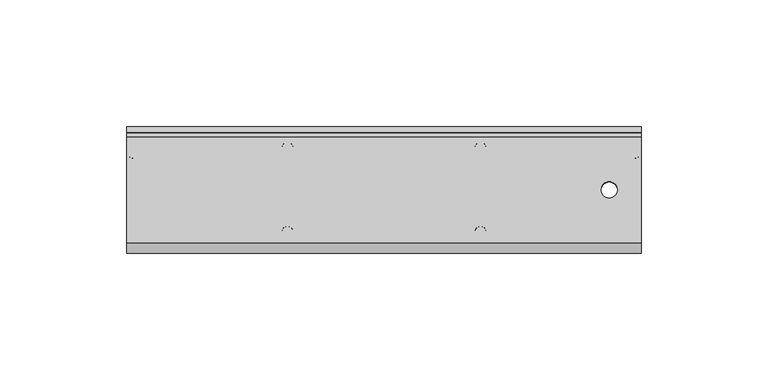
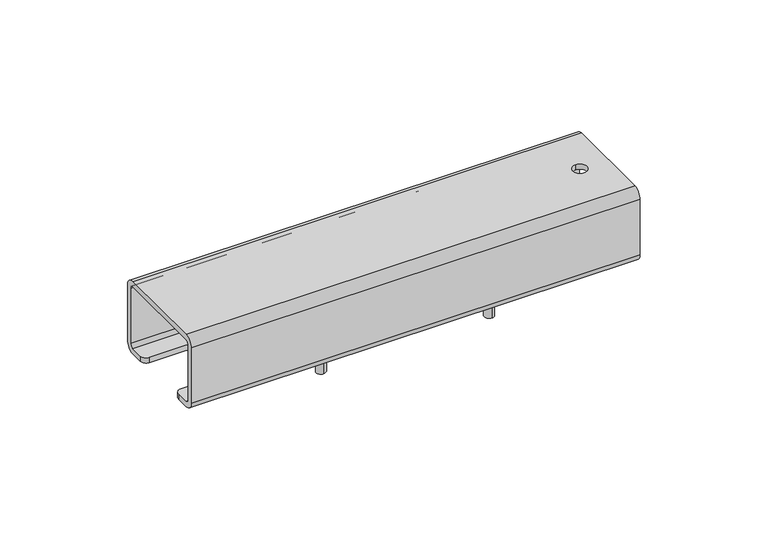
"""IFC4 building model written with IfcOpenShell, lengths in millimetres: proxy geometry."""

from ifc_helpers import new_model, si_unit, point, frame, origin, place, context, project, spatial, polyline, circle_curve, ellipse_curve, trimmed, source, transform, mapped, element, save
from ifc_brep_helpers import plane_surface, cylinder_surface, revolved_surface, extruded_surface, advanced_brep


def generic_models_425eaa7c(model_context):
    return source(origin(), model_context, "Body", "AdvancedBrep", [
        advanced_brep(
        [(38.1, 18.642637, -13.2216488), (38.1, 14.350054, -13.2216488), (38.1, 18.642637, -24.6516488), (38.1, 14.350054, -24.6516488)],
        [
            (0, 1, ellipse_curve(frame((38.1, 16.4963455, -13.2216488), z_axis=(0.0, 0.0, 1.0), x_axis=(1.0, 0.0, 0.0)), 2.1463, 2.1462915)),
            (1, 0, ellipse_curve(frame((38.1, 16.4963455, -13.2216488), z_axis=(0.0, 0.0, 1.0), x_axis=(1.0, 0.0, 0.0)), 2.1463, 2.1462915)),
            (2, 3, ellipse_curve(frame((38.1, 16.4963455, -24.6516488), z_axis=(0.0, 0.0, -1.0), x_axis=(0.0, -1.0, 0.0)), 2.1462915, 2.1463)),
            (3, 2, ellipse_curve(frame((38.1, 16.4963455, -24.6516488), z_axis=(0.0, 0.0, -1.0), x_axis=(0.0, -1.0, 0.0)), 2.1462915, 2.1463)),
            (0, 2),
            (3, 1),
        ],
        [
            plane_surface(frame((38.1, 14.350054, -13.2216488), z_axis=(0.0, 0.0, 1.0), x_axis=(1.0, 0.0, 0.0))),
            plane_surface(frame((38.1, 14.350054, -24.6516488), z_axis=(0.0, 0.0, -1.0), x_axis=(-1.0, 0.0, 0.0))),
            extruded_surface(trimmed(ellipse_curve(frame((38.1, 16.4963455, -36.0816488), z_axis=(0.0, 0.0, 1.0), x_axis=(0.0, -1.0, 0.0)), 2.1462915, 2.1463), [point((38.1, 18.642637, -36.0816488))], [point((38.1, 14.350054, -36.0816488))], True, "CARTESIAN"), (0.0, 0.0, 11.430000000000003), 11.430000000000003),
            extruded_surface(trimmed(ellipse_curve(frame((38.1, 16.4963455, -36.0816488), z_axis=(0.0, 0.0, 1.0), x_axis=(0.0, -1.0, 0.0)), 2.1462915, 2.1463), [point((38.1, 14.350054, -36.0816488))], [point((38.1, 18.642637, -36.0816488))], True, "CARTESIAN"), (0.0, 0.0, 11.430000000000003), 11.430000000000003),
        ],
        [
            (0, [[1, 2]]),
            (1, [[3, 4]]),
            (2, [[-1, 5, -4, 6]]),
            (3, [[-2, -6, -3, -5]]),
        ],
    ),
        advanced_brep(
        [(38.1326829, -14.5298809, -13.2216488), (38.1326829, -18.8219662, -13.2216488), (38.1326829, -14.5298809, -24.6516488), (38.1326829, -18.8219662, -24.6516488)],
        [
            (0, 1, ellipse_curve(frame((38.1, -16.6759235, -13.2216488), z_axis=(0.0, 0.0, 1.0), x_axis=(-1.0, 0.0, 0.0)), 2.1463, 2.1462915)),
            (1, 0, ellipse_curve(frame((38.1643853, -16.6759235, -13.2216488), z_axis=(0.0, 0.0, 1.0), x_axis=(0.0, 1.0, 0.0)), 2.1462915, 2.0819147)),
            (2, 3, ellipse_curve(frame((38.1643853, -16.6759235, -24.6516488), z_axis=(0.0, 0.0, -1.0), x_axis=(0.0, 1.0, 0.0)), 2.1462915, 2.0819147)),
            (3, 2, ellipse_curve(frame((38.1, -16.6759235, -24.6516488), z_axis=(0.0, 0.0, -1.0), x_axis=(0.0, 1.0, 0.0)), 2.1462915, 2.1463)),
            (0, 2),
            (3, 1),
        ],
        [
            plane_surface(frame((38.1, -14.529632, -13.2216488), z_axis=(0.0, 0.0, 1.0), x_axis=(-1.0, 0.0, 0.0))),
            plane_surface(frame((38.1, -14.529632, -24.6516488), z_axis=(0.0, 0.0, -1.0), x_axis=(1.0, 0.0, 0.0))),
            extruded_surface(trimmed(ellipse_curve(frame((38.1, -16.6759235, -36.0816488), z_axis=(0.0, 0.0, 1.0), x_axis=(0.0, 1.0, 0.0)), 2.1462915, 2.1463), [point((38.1326829, -14.5298809, -36.0816488))], [point((38.1326829, -18.8219662, -36.0816488))], True, "CARTESIAN"), (0.0, 0.0, 11.430000000000003), 11.430000000000003),
            extruded_surface(trimmed(ellipse_curve(frame((38.1643853, -16.6759235, -36.0816488), z_axis=(0.0, 0.0, 1.0), x_axis=(0.0, 1.0, 0.0)), 2.1462915, 2.0819147), [point((38.1326829, -18.8219662, -36.0816488))], [point((38.1326829, -14.5298809, -36.0816488))], True, "CARTESIAN"), (0.0, 0.0, 11.430000000000003), 11.430000000000003),
        ],
        [
            (0, [[1, 2]]),
            (1, [[3, 4]]),
            (2, [[-1, 5, -4, 6]]),
            (3, [[-2, -6, -3, -5]]),
        ],
    ),
        advanced_brep(
        [(-38.1, -14.529632, -14.2944905), (-38.1, -14.5366267, -16.7836806), (-38.1, -18.8292098, -16.7716184), (-38.1, -18.8222151, -14.2824282), (38.1, -14.5366267, -16.7836806), (38.1, -14.529632, -14.2944905), (38.1, -18.8222151, -14.2824282), (38.1, -18.8292098, -16.7716184), (-38.1, 14.3430593, -16.8648334), (-38.1, 14.350054, -14.3756432), (-38.1, 18.642637, -14.3877055), (-38.1, 18.6356423, -16.8768956), (38.1, 14.350054, -14.3756432), (38.1, 14.3430593, -16.8648334), (38.1, 18.6356423, -16.8768956), (38.1, 18.642637, -14.3877055), (88.9, 3.1749875, 17.6090852), (88.9, 3.1679928, 15.119895), (88.9, -3.1819822, 15.1377386), (88.9, -3.1749875, 17.6269288), (99.06, 12.3491671, -16.8592305), (101.6, 14.8891571, -16.8663679), (101.6, 14.8961518, -14.3771777), (99.06, 12.3561618, -14.3700403), (101.6, 20.8651282, -14.3939507), (-101.6, 20.8651282, -14.3939507), (-101.6, 14.8961518, -14.3771777), (-99.06, 12.3561618, -14.3700403), (101.6, 20.8581335, -16.8831409), (101.6, 24.8825949, -12.8812339), (101.6, 24.9568243, 13.5346618), (101.6, 20.9549173, 17.5591231), (101.6, -20.9549173, 17.6768909), (101.6, -24.9793786, 13.6749839), (101.6, -25.053608, -12.7409118), (101.6, -21.051701, -16.7653731), (101.6, -15.0827246, -16.7821461), (101.6, -15.0757299, -14.2929559), (101.6, -21.0447063, -14.2761829), (101.6, -22.5644178, -12.7479065), (101.6, -22.4901884, 13.6679892), (101.6, -20.961912, 15.1877007), (101.6, 20.9479226, 15.0699329), (101.6, 22.4676341, 13.5416565), (101.6, 22.3934047, -12.8742392), (99.06, -12.5427346, -16.7892835), (99.06, -12.5357399, -14.3000934), (-99.06, -12.5357399, -14.3000934), (-101.6, -15.0757299, -14.2929559), (-101.6, -21.0447063, -14.2761829), (-99.06, -12.5427346, -16.7892835), (-101.6, -15.0827246, -16.7821461), (-101.6, -21.051701, -16.7653731), (-101.6, -25.053608, -12.7409118), (-101.6, -24.9793786, 13.6749839), (-101.6, -20.9549173, 17.6768909), (-101.6, 20.9549173, 17.5591231), (-101.6, 24.9568243, 13.5346618), (-101.6, 24.8825949, -12.8812339), (-101.6, 20.8581335, -16.8831409), (-101.6, 14.8891571, -16.8663679), (-101.6, 22.3934047, -12.8742392), (-101.6, 22.4676341, 13.5416565), (-101.6, 20.9479226, 15.0699329), (-101.6, -20.961912, 15.1877007), (-101.6, -22.4901884, 13.6679892), (-101.6, -22.5644178, -12.7479065), (-99.06, 12.3491671, -16.8592305), (-0.254, 19.2072114, -16.8531017), (0.254, 19.2072114, -16.8531017), (0.254, 12.8572365, -16.8352581), (-0.254, 12.8572365, -16.8352581), (0.254, -19.4006361, -16.7446125), (-0.254, -19.4006361, -16.7446125), (-0.254, -13.0506612, -16.7624562), (0.254, -13.0506612, -16.7624562)],
        [
            (0, 1),
            (1, 2, circle_curve(frame((-38.1, -16.6829182, -16.7776495), z_axis=(0.0, -0.0028100166849961976, -0.9999960518953214), x_axis=(0.0, 0.9999960518953214, -0.0028100166849961976)), 2.1463)),
            (2, 3),
            (3, 0, circle_curve(frame((-38.1, -16.6759235, -14.2884593), z_axis=(0.0, 0.0028100166849961976, 0.9999960518953214), x_axis=(0.0, 0.9999960518953214, -0.0028100166849961976)), 2.1463)),
            (4, 5),
            (5, 6, circle_curve(frame((38.1, -16.6759235, -14.2884593), z_axis=(0.0, 0.0028100166849961976, 0.9999960518953214), x_axis=(0.0, 0.9999960518953214, -0.0028100166849961976)), 2.1463)),
            (6, 7),
            (7, 4, circle_curve(frame((38.1, -16.6829182, -16.7776495), z_axis=(0.0, -0.0028100166849961976, -0.9999960518953214), x_axis=(0.0, 0.9999960518953214, -0.0028100166849961976)), 2.1463)),
            (8, 9),
            (9, 10, circle_curve(frame((-38.1, 16.4963455, -14.3816743), z_axis=(0.0, 0.0028100166849961976, 0.9999960518953214), x_axis=(0.0, -0.9999960518953214, 0.0028100166849961976)), 2.1463)),
            (10, 11),
            (11, 8, circle_curve(frame((-38.1, 16.4893508, -16.8708645), z_axis=(0.0, -0.0028100166849961976, -0.9999960518953214), x_axis=(0.0, -0.9999960518953214, 0.0028100166849961976)), 2.1463)),
            (12, 13),
            (13, 14, circle_curve(frame((38.1, 16.4893508, -16.8708645), z_axis=(0.0, -0.0028100166849961976, -0.9999960518953214), x_axis=(0.0, -0.9999960518953214, 0.0028100166849961976)), 2.1463)),
            (14, 15),
            (15, 12, circle_curve(frame((38.1, 16.4963455, -14.3816743), z_axis=(0.0, 0.0028100166849961976, 0.9999960518953214), x_axis=(0.0, -0.9999960518953214, 0.0028100166849961976)), 2.1463)),
            (16, 17),
            (17, 18, circle_curve(frame((88.9, -0.0069947, 15.1288168), z_axis=(0.0, -0.0028100166849961976, -0.9999960518953214), x_axis=(0.0, 0.9999960518953214, -0.0028100166849961976)), 3.175)),
            (18, 19),
            (19, 16, circle_curve(frame((88.9, 0.0, 17.618007), z_axis=(0.0, 0.0028100166849961976, 0.9999960518953214), x_axis=(0.0, 0.9999960518953214, -0.0028100166849961976)), 3.175)),
            (20, 21, circle_curve(frame((99.06, 14.8891571, -16.8663679), z_axis=(0.0, 0.0028100166849961976, 0.9999960518953214), x_axis=(0.7071067811865668, -0.7071039894549372, 0.0019869818532081)), 2.54)),
            (21, 22),
            (22, 23, circle_curve(frame((99.06, 14.8961518, -14.3771777), z_axis=(0.0, -0.0028100166849961976, -0.9999960518953214), x_axis=(0.7071067811865668, -0.7071039894549372, 0.0019869818532081)), 2.54)),
            (23, 20),
            (22, 24),
            (24, 25),
            (25, 26),
            (26, 27, circle_curve(frame((-99.06, 14.8961518, -14.3771777), z_axis=(0.0, 0.0028100166849961976, 0.9999960518953214), x_axis=(-0.7071067811865315, -0.7071039894549725, 0.0019869818532081995)), 2.54)),
            (27, 23),
            (9, 10, circle_curve(frame((-38.1, 16.4963455, -14.3816743), z_axis=(0.0, -0.0028100166849961976, -0.9999960518953214), x_axis=(0.0, -0.9999960518953214, 0.0028100166849961976)), 2.1463)),
            (15, 12, circle_curve(frame((38.1, 16.4963455, -14.3816743), z_axis=(0.0, -0.0028100166849961976, -0.9999960518953214), x_axis=(0.0, -0.9999960518953214, 0.0028100166849961976)), 2.1463)),
            (21, 28),
            (28, 29, circle_curve(frame((101.6, 20.8694107, -12.8699568), z_axis=(1.0, 0.0, 0.0), x_axis=(0.0, 0.9999960518953214, -0.0028100166849961976)), 4.0132)),
            (29, 30),
            (30, 31, circle_curve(frame((101.6, 20.9436401, 13.545939), z_axis=(1.0, 0.0, 0.0), x_axis=(0.0, 0.0028100166849961976, 0.9999960518953214)), 4.0132)),
            (31, 32),
            (32, 33, circle_curve(frame((101.6, -20.9661944, 13.6637068), z_axis=(1.0, 0.0, 0.0), x_axis=(0.0, -0.9999960518953214, 0.0028100166849961976)), 4.0132)),
            (33, 34),
            (34, 35, circle_curve(frame((101.6, -21.0404238, -12.752189), z_axis=(1.0, 0.0, 0.0), x_axis=(0.0, -0.0028100166849961976, -0.9999960518953214)), 4.0132)),
            (35, 36),
            (36, 37),
            (37, 38),
            (38, 39, circle_curve(frame((101.6, -21.0404238, -12.752189), z_axis=(-1.0, 0.0, 0.0), x_axis=(0.0, 0.0028100166849961976, 0.9999960518953214)), 1.524)),
            (39, 40),
            (40, 41, circle_curve(frame((101.6, -20.9661944, 13.6637068), z_axis=(-1.0, 0.0, 0.0), x_axis=(0.0, 0.9999960518953214, -0.0028100166849961976)), 1.524)),
            (41, 42),
            (42, 43, circle_curve(frame((101.6, 20.9436401, 13.545939), z_axis=(-1.0, 0.0, 0.0), x_axis=(0.0, -0.0028100166849961976, -0.9999960518953214)), 1.524)),
            (43, 44),
            (44, 24, circle_curve(frame((101.6, 20.8694107, -12.8699568), z_axis=(-1.0, 0.0, 0.0), x_axis=(0.0, -0.9999960518953214, 0.0028100166849961976)), 1.524)),
            (36, 45, circle_curve(frame((99.06, -15.0827246, -16.7821461), z_axis=(0.0, 0.0028100166849961976, 0.9999960518953214), x_axis=(0.7071067811865315, 0.7071039894549725, -0.0019869818532081995)), 2.54)),
            (45, 46),
            (46, 37, circle_curve(frame((99.06, -15.0757299, -14.2929559), z_axis=(0.0, -0.0028100166849961976, -0.9999960518953214), x_axis=(0.7071067811865315, 0.7071039894549725, -0.0019869818532081995)), 2.54)),
            (46, 47),
            (47, 48, circle_curve(frame((-99.06, -15.0757299, -14.2929559), z_axis=(0.0, 0.0028100166849961976, 0.9999960518953214), x_axis=(-0.7071067811865668, 0.7071039894549372, -0.0019869818532081)), 2.54)),
            (48, 49),
            (49, 38),
            (5, 6, circle_curve(frame((38.1, -16.6759235, -14.2884593), z_axis=(0.0, -0.0028100166849961976, -0.9999960518953214), x_axis=(0.0, 0.9999960518953214, -0.0028100166849961976)), 2.1463)),
            (3, 0, circle_curve(frame((-38.1, -16.6759235, -14.2884593), z_axis=(0.0, -0.0028100166849961976, -0.9999960518953214), x_axis=(0.0, 0.9999960518953214, -0.0028100166849961976)), 2.1463)),
            (50, 51, circle_curve(frame((-99.06, -15.0827246, -16.7821461), z_axis=(0.0, 0.0028100166849961976, 0.9999960518953214), x_axis=(-0.7071067811865668, 0.7071039894549372, -0.0019869818532081)), 2.54)),
            (51, 48),
            (47, 50),
            (51, 52),
            (52, 53, circle_curve(frame((-101.6, -21.0404238, -12.752189), z_axis=(-1.0, 0.0, 0.0), x_axis=(0.0, -0.0028100166849961976, -0.9999960518953214)), 4.0132)),
            (53, 54),
            (54, 55, circle_curve(frame((-101.6, -20.9661944, 13.6637068), z_axis=(-1.0, 0.0, 0.0), x_axis=(0.0, -0.9999960518953214, 0.0028100166849961976)), 4.0132)),
            (55, 56),
            (56, 57, circle_curve(frame((-101.6, 20.9436401, 13.545939), z_axis=(-1.0, 0.0, 0.0), x_axis=(0.0, 0.0028100166849961976, 0.9999960518953214)), 4.0132)),
            (57, 58),
            (58, 59, circle_curve(frame((-101.6, 20.8694107, -12.8699568), z_axis=(-1.0, 0.0, 0.0), x_axis=(0.0, 0.9999960518953214, -0.0028100166849961976)), 4.0132)),
            (59, 60),
            (60, 26),
            (25, 61, circle_curve(frame((-101.6, 20.8694107, -12.8699568), z_axis=(1.0, 0.0, 0.0), x_axis=(0.0, -0.9999960518953214, 0.0028100166849961976)), 1.524)),
            (61, 62),
            (62, 63, circle_curve(frame((-101.6, 20.9436401, 13.545939), z_axis=(1.0, 0.0, 0.0), x_axis=(0.0, -0.0028100166849961976, -0.9999960518953214)), 1.524)),
            (63, 64),
            (64, 65, circle_curve(frame((-101.6, -20.9661944, 13.6637068), z_axis=(1.0, 0.0, 0.0), x_axis=(0.0, 0.9999960518953214, -0.0028100166849961976)), 1.524)),
            (65, 66),
            (66, 49, circle_curve(frame((-101.6, -21.0404238, -12.752189), z_axis=(1.0, 0.0, 0.0), x_axis=(0.0, 0.0028100166849961976, 0.9999960518953214)), 1.524)),
            (60, 67, circle_curve(frame((-99.06, 14.8891571, -16.8663679), z_axis=(0.0, 0.0028100166849961976, 0.9999960518953214), x_axis=(-0.7071067811865315, -0.7071039894549725, 0.0019869818532081995)), 2.54)),
            (67, 27),
            (68, 69),
            (69, 70),
            (70, 71),
            (71, 68),
            (72, 73),
            (73, 74),
            (74, 75),
            (75, 72),
            (16, 19, circle_curve(frame((88.9, 0.0, 17.618007), z_axis=(0.0, 0.0028100166849961976, 0.9999960518953214), x_axis=(0.0, 0.9999960518953214, -0.0028100166849961976)), 3.175)),
            (18, 17, circle_curve(frame((88.9, -0.0069947, 15.1288168), z_axis=(0.0, -0.0028100166849961976, -0.9999960518953214), x_axis=(0.0, 0.9999960518953214, -0.0028100166849961976)), 3.175)),
            (14, 13, circle_curve(frame((38.1, 16.4893508, -16.8708645), z_axis=(0.0, -0.0028100166849961976, -0.9999960518953214), x_axis=(0.0, -0.9999960518953214, 0.0028100166849961976)), 2.1463)),
            (8, 11, circle_curve(frame((-38.1, 16.4893508, -16.8708645), z_axis=(0.0, -0.0028100166849961976, -0.9999960518953214), x_axis=(0.0, -0.9999960518953214, 0.0028100166849961976)), 2.1463)),
            (4, 7, circle_curve(frame((38.1, -16.6829182, -16.7776495), z_axis=(0.0, -0.0028100166849961976, -0.9999960518953214), x_axis=(0.0, 0.9999960518953214, -0.0028100166849961976)), 2.1463)),
            (2, 1, circle_curve(frame((-38.1, -16.6829182, -16.7776495), z_axis=(0.0, -0.0028100166849961976, -0.9999960518953214), x_axis=(0.0, 0.9999960518953214, -0.0028100166849961976)), 2.1463)),
            (40, 65),
            (64, 41),
            (63, 42),
            (62, 43),
            (61, 44),
            (67, 20),
            (59, 28),
            (58, 29),
            (57, 30),
            (56, 31),
            (55, 32),
            (54, 33),
            (53, 34),
            (52, 35),
            (50, 45),
            (66, 39),
        ],
        [
            revolved_surface(polyline([(-38.1, -14.529631995725428, -14.294490438749392), (-38.1, -14.536626689445033, -16.78368067778547)]), (-38.1, -17.2286389, -210.9823789), (0.0, 0.0028100166849961976, 0.9999960518953214)),
            revolved_surface(polyline([(38.1, -14.536626689445033, -16.78368067778547), (38.1, -14.529631995725428, -14.294490438749392)]), (38.1, -17.2286389, -210.9823789), (0.0, -0.0028100166849961976, -0.9999960518953214)),
            revolved_surface(polyline([(-38.1, 14.343059258189902, -16.864833399882485), (-38.1, 14.350053951908716, -14.375643161127357)]), (-38.1, 15.9436301, -211.0755939), (0.0, -0.0028100166849961976, -0.9999960518953214)),
            revolved_surface(polyline([(38.1, 14.350053951908716, -14.375643161127357), (38.1, 14.343059258189902, -16.864833399882485)]), (38.1, 15.9436301, -211.0755939), (0.0, 0.0028100166849961976, 0.9999960518953214)),
            revolved_surface(polyline([(88.9, 3.1749874634721675, 17.60908520010265), (88.9, 3.1679927698449304, 15.119894993937006)]), (88.9, -0.0466075, 1.0318725), (0.0, 0.0028100166849961976, 0.9999960518953214)),
            cylinder_surface(frame((99.06, 14.913353, -8.2558019), z_axis=(0.0, -0.0028100166849961976, -0.9999960518953214), x_axis=(0.7071067811865668, -0.7071039894549372, 0.0019869818532081)), 2.54),
            plane_surface(frame((0.0, 12.3561618, -14.3700403), z_axis=(0.0, 0.0028100166849961976, 0.9999960518953213), x_axis=(0.0, 0.9999960518953213, -0.0028100166849961976))),
            plane_surface(frame((101.6, -0.0483919, 0.396875), z_axis=(1.0, 0.0, 0.0), x_axis=(0.0, 0.0028100166849961976, 0.9999960518953213))),
            cylinder_surface(frame((99.06, -15.0550313, -6.926985), z_axis=(0.0, 0.0028100166849961976, 0.9999960518953214), x_axis=(0.7071067811865315, 0.7071039894549725, -0.0019869818532081995)), 2.54),
            plane_surface(frame((0.0, -21.0447063, -14.2761829), z_axis=(0.0, 0.0028100166849961976, 0.9999960518953213), x_axis=(0.0, 0.9999960518953213, -0.0028100166849961976))),
            cylinder_surface(frame((-99.06, -15.0550313, -6.926985), z_axis=(0.0, -0.0028100166849961976, -0.9999960518953214), x_axis=(-0.7071067811865668, 0.7071039894549372, -0.0019869818532081)), 2.54),
            plane_surface(frame((-101.6, -0.0483919, 0.396875), z_axis=(-1.0, 0.0, 0.0), x_axis=(0.0, 0.0028100166849961976, 0.9999960518953213))),
            cylinder_surface(frame((-99.06, 14.913353, -8.2558019), z_axis=(0.0, 0.0028100166849961976, 0.9999960518953214), x_axis=(-0.7071067811865315, -0.7071039894549725, 0.0019869818532081995)), 2.54),
            plane_surface(frame((0.0, 16.032224, -16.8441799), z_axis=(0.0, -0.0028100166849961976, -0.9999960518953213), x_axis=(0.0, -0.9999960518953213, 0.0028100166849961976))),
            plane_surface(frame((0.0, -16.2256487, -16.7535344), z_axis=(0.0, -0.0028100166849961976, -0.9999960518953213), x_axis=(0.0, 0.9999960518953213, -0.0028100166849961976))),
            revolved_surface(polyline([(-101.60000000000005, -19.44220041691153, 13.659424334572066), (101.60000000000005, -19.44220041691153, 13.659424334572066)]), (0.0, -20.9661944, 13.6637068), (-1.0000000000000002, 0.0, 0.0)),
            plane_surface(frame((0.0, 20.9479226, 15.0699329), z_axis=(0.0, -0.0028100166849961976, -0.9999960518953213), x_axis=(0.0, -0.9999960518953213, 0.0028100166849961976))),
            revolved_surface(polyline([(-101.60000000000005, 20.939357634572065, 12.02194501691153), (101.60000000000005, 20.939357634572065, 12.02194501691153)]), (0.0, 20.9436401, 13.545939), (-1.0000000000000002, 0.0, 0.0)),
            plane_surface(frame((0.0, 22.3934047, -12.8742392), z_axis=(0.0, -0.9999960518953213, 0.0028100166849961976), x_axis=(0.0, 0.0028100166849961976, 0.9999960518953213))),
            revolved_surface(polyline([(-101.60000000000005, 19.34541671691153, -12.865674334572066), (101.60000000000005, 19.34541671691153, -12.865674334572066)]), (0.0, 20.8694107, -12.8699568), (-1.0000000000000002, 0.0, 0.0)),
            plane_surface(frame((0.0, 12.3491671, -16.8592305), z_axis=(0.0, -0.9999960518953213, 0.0028100166849961976), x_axis=(0.0, 0.0028100166849961976, 0.9999960518953213))),
            plane_surface(frame((0.0, 20.8581335, -16.8831409), z_axis=(0.0, -0.0028100166849961976, -0.9999960518953213), x_axis=(0.0, -0.9999960518953213, 0.0028100166849961976))),
            cylinder_surface(frame((0.0, 20.8694107, -12.8699568), z_axis=(-1.0000000000000002, 0.0, 0.0), x_axis=(0.0, 0.9999960518953214, -0.0028100166849961976)), 4.0132),
            plane_surface(frame((0.0, 24.9568243, 13.5346618), z_axis=(0.0, 0.9999960518953213, -0.0028100166849961976), x_axis=(0.0, -0.0028100166849961976, -0.9999960518953213))),
            cylinder_surface(frame((0.0, 20.9436401, 13.545939), z_axis=(-1.0000000000000002, 0.0, 0.0), x_axis=(0.0, 0.0028100166849961976, 0.9999960518953214)), 4.0132),
            plane_surface(frame((0.0, -20.9549173, 17.6768909), z_axis=(0.0, 0.0028100166849961976, 0.9999960518953213), x_axis=(0.0, 0.9999960518953213, -0.0028100166849961976))),
            cylinder_surface(frame((0.0, -20.9661944, 13.6637068), z_axis=(-1.0000000000000002, 0.0, 0.0), x_axis=(0.0, -0.9999960518953214, 0.0028100166849961976)), 4.0132),
            plane_surface(frame((0.0, -25.053608, -12.7409118), z_axis=(0.0, -0.9999960518953213, 0.0028100166849961976), x_axis=(0.0, 0.0028100166849961976, 0.9999960518953213))),
            cylinder_surface(frame((0.0, -21.0404238, -12.752189), z_axis=(-1.0000000000000002, 0.0, 0.0), x_axis=(0.0, -0.0028100166849961976, -0.9999960518953214)), 4.0132),
            plane_surface(frame((0.0, -12.5427346, -16.7892835), z_axis=(0.0, -0.0028100166849961976, -0.9999960518953213), x_axis=(0.0, -0.9999960518953213, 0.0028100166849961976))),
            plane_surface(frame((0.0, -12.5357399, -14.3000934), z_axis=(0.0, 0.9999960518953213, -0.0028100166849961976), x_axis=(0.0, -0.0028100166849961976, -0.9999960518953213))),
            revolved_surface(polyline([(-101.60000000000005, -21.036141334572065, -11.22819501691153), (101.60000000000005, -21.036141334572065, -11.22819501691153)]), (0.0, -21.0404238, -12.752189), (-1.0000000000000002, 0.0, 0.0)),
            plane_surface(frame((0.0, -22.4901884, 13.6679892), z_axis=(0.0, 0.9999960518953213, -0.0028100166849961976), x_axis=(0.0, -0.0028100166849961976, -0.9999960518953213))),
        ],
        [
            (0, [[1, 2, 3, 4]]),
            (1, [[5, 6, 7, 8]]),
            (2, [[9, 10, 11, 12]]),
            (3, [[13, 14, 15, 16]]),
            (4, [[17, 18, 19, 20]]),
            (5, [[21, 22, 23, 24]]),
            (6, [[-23, 25, 26, 27, 28, 29], [-10, 30], [31, -16]]),
            (7, [[-22, 32, 33, 34, 35, 36, 37, 38, 39, 40, 41, 42, 43, 44, 45, 46, 47, 48, 49, -25]]),
            (8, [[50, 51, 52, -41]]),
            (9, [[-52, 53, 54, 55, 56, -42], [-6, 57], [58, -4]]),
            (10, [[59, 60, -54, 61]]),
            (11, [[-60, 62, 63, 64, 65, 66, 67, 68, 69, 70, 71, -27, 72, 73, 74, 75, 76, 77, 78, -55]]),
            (12, [[79, 80, -28, -71]]),
            (13, [[81, 82, 83, 84]]),
            (14, [[85, 86, 87, 88]]),
            (4, [[-17, 89, -19, 90]]),
            (3, [[-13, -31, -15, 91]]),
            (2, [[-9, 92, -11, -30]]),
            (1, [[-5, 93, -7, -57]]),
            (0, [[-1, -58, -3, 94]]),
            (15, [[95, -76, 96, -45]]),
            (16, [[-96, -75, 97, -46], [-18, -90]]),
            (17, [[-97, -74, 98, -47]]),
            (18, [[-98, -73, 99, -48]]),
            (19, [[-99, -72, -26, -49]]),
            (20, [[-24, -29, -80, 100]]),
            (21, [[-21, -100, -79, -70, 101, -32], [-14, -91], [-84, -83, -82, -81], [-92, -12]]),
            (22, [[-101, -69, 102, -33]]),
            (23, [[-102, -68, 103, -34]]),
            (24, [[-103, -67, 104, -35]]),
            (25, [[-104, -66, 105, -36], [-89, -20]]),
            (26, [[-105, -65, 106, -37]]),
            (27, [[-106, -64, 107, -38]]),
            (28, [[-107, -63, 108, -39]]),
            (29, [[-50, -40, -108, -62, -59, 109], [-2, -94], [-86, -85, -88, -87], [-93, -8]]),
            (30, [[-51, -109, -61, -53]]),
            (31, [[-56, -78, 110, -43]]),
            (32, [[-110, -77, -95, -44]]),
        ],
    ),
        advanced_brep(
        [(-38.1, 18.642637, -13.2216488), (-38.1, 14.350054, -13.2216488), (-38.1, 18.642637, -24.6516488), (-38.1, 14.350054, -24.6516488)],
        [
            (0, 1, ellipse_curve(frame((-38.1, 16.4963455, -13.2216488), z_axis=(0.0, 0.0, 1.0), x_axis=(1.0, 0.0, 0.0)), 2.1463, 2.1462915)),
            (1, 0, ellipse_curve(frame((-38.1, 16.4963455, -13.2216488), z_axis=(0.0, 0.0, 1.0), x_axis=(1.0, 0.0, 0.0)), 2.1463, 2.1462915)),
            (2, 3, ellipse_curve(frame((-38.1, 16.4963455, -24.6516488), z_axis=(0.0, 0.0, -1.0), x_axis=(0.0, -1.0, 0.0)), 2.1462915, 2.1463)),
            (3, 2, ellipse_curve(frame((-38.1, 16.4963455, -24.6516488), z_axis=(0.0, 0.0, -1.0), x_axis=(0.0, -1.0, 0.0)), 2.1462915, 2.1463)),
            (0, 2),
            (3, 1),
        ],
        [
            plane_surface(frame((-38.1, 14.350054, -13.2216488), z_axis=(0.0, 0.0, 1.0), x_axis=(1.0, 0.0, 0.0))),
            plane_surface(frame((-38.1, 14.350054, -24.6516488), z_axis=(0.0, 0.0, -1.0), x_axis=(-1.0, 0.0, 0.0))),
            extruded_surface(trimmed(ellipse_curve(frame((-38.1, 16.4963455, -36.0816488), z_axis=(0.0, 0.0, 1.0), x_axis=(0.0, -1.0, 0.0)), 2.1462915, 2.1463), [point((-38.1, 18.642637, -36.0816488))], [point((-38.1, 14.350054, -36.0816488))], True, "CARTESIAN"), (0.0, 0.0, 11.430000000000003), 11.430000000000003),
            extruded_surface(trimmed(ellipse_curve(frame((-38.1, 16.4963455, -36.0816488), z_axis=(0.0, 0.0, 1.0), x_axis=(0.0, -1.0, 0.0)), 2.1462915, 2.1463), [point((-38.1, 14.350054, -36.0816488))], [point((-38.1, 18.642637, -36.0816488))], True, "CARTESIAN"), (0.0, 0.0, 11.430000000000003), 11.430000000000003),
        ],
        [
            (0, [[1, 2]]),
            (1, [[3, 4]]),
            (2, [[-1, 5, -4, 6]]),
            (3, [[-2, -6, -3, -5]]),
        ],
    ),
        advanced_brep(
        [(-38.0673171, -14.5298809, -13.2216488), (-38.0673171, -18.8219662, -13.2216488), (-38.0673171, -14.5298809, -24.6516488), (-38.0673171, -18.8219662, -24.6516488)],
        [
            (0, 1, ellipse_curve(frame((-38.1, -16.6759235, -13.2216488), z_axis=(0.0, 0.0, 1.0), x_axis=(-1.0, 0.0, 0.0)), 2.1463, 2.1462915)),
            (1, 0, ellipse_curve(frame((-38.0356147, -16.6759235, -13.2216488), z_axis=(0.0, 0.0, 1.0), x_axis=(0.0, 1.0, 0.0)), 2.1462915, 2.0819147)),
            (2, 3, ellipse_curve(frame((-38.0356147, -16.6759235, -24.6516488), z_axis=(0.0, 0.0, -1.0), x_axis=(0.0, 1.0, 0.0)), 2.1462915, 2.0819147)),
            (3, 2, ellipse_curve(frame((-38.1, -16.6759235, -24.6516488), z_axis=(0.0, 0.0, -1.0), x_axis=(0.0, 1.0, 0.0)), 2.1462915, 2.1463)),
            (0, 2),
            (3, 1),
        ],
        [
            plane_surface(frame((-38.1, -14.529632, -13.2216488), z_axis=(0.0, 0.0, 1.0), x_axis=(-1.0, 0.0, 0.0))),
            plane_surface(frame((-38.1, -14.529632, -24.6516488), z_axis=(0.0, 0.0, -1.0), x_axis=(1.0, 0.0, 0.0))),
            extruded_surface(trimmed(ellipse_curve(frame((-38.1, -16.6759235, -36.0816488), z_axis=(0.0, 0.0, 1.0), x_axis=(0.0, 1.0, 0.0)), 2.1462915, 2.1463), [point((-38.0673171, -14.5298809, -36.0816488))], [point((-38.0673171, -18.8219662, -36.0816488))], True, "CARTESIAN"), (0.0, 0.0, 11.430000000000003), 11.430000000000003),
            extruded_surface(trimmed(ellipse_curve(frame((-38.0356147, -16.6759235, -36.0816488), z_axis=(0.0, 0.0, 1.0), x_axis=(0.0, 1.0, 0.0)), 2.1462915, 2.0819147), [point((-38.0673171, -18.8219662, -36.0816488))], [point((-38.0673171, -14.5298809, -36.0816488))], True, "CARTESIAN"), (0.0, 0.0, 11.430000000000003), 11.430000000000003),
        ],
        [
            (0, [[1, 2]]),
            (1, [[3, 4]]),
            (2, [[-1, 5, -4, 6]]),
            (3, [[-2, -6, -3, -5]]),
        ],
    ),
    ])


if __name__ == "__main__":
    model = new_model("IFC4")
    model_context = context("Model", 3, world=origin())
    ifc_project = project(units=[si_unit("LENGTHUNIT", "METRE", prefix="MILLI")], contexts=[model_context])
    site = spatial("IfcSite", under=ifc_project)
    building = spatial("IfcBuilding", under=site)
    placement = place(None, origin())
    generic_models_shape = generic_models_425eaa7c(model_context)
    element("IfcBuildingElementProxy", 1, Name="Generic Models", at=placement, inside=building, context=model_context, shape_type="MappedRepresentation", body=[
        mapped(generic_models_shape, transform((0.0, 0.0, 0.0), x_axis=(1.0, 0.0, 0.0), y_axis=(0.0, 1.0, 0.0), z_axis=(0.0, 0.0, 1.0))),
    ])
    save(model, "model.ifc")
